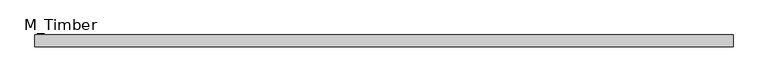
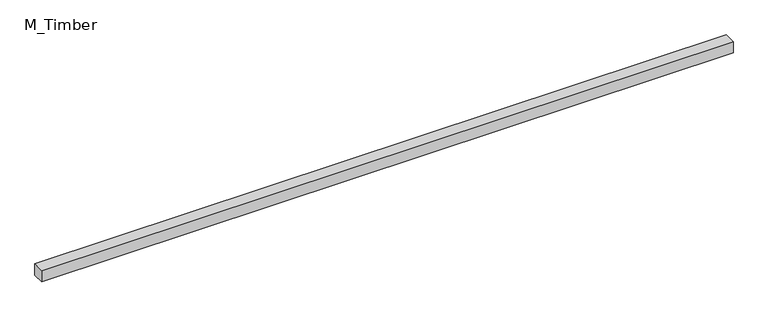
"""IFC4 building model written with IfcOpenShell, lengths in millimetres: beam geometry, M_Timber."""

from ifc_helpers import new_model, si_unit, frame, origin, place, context, project, spatial, polyline, outline, extrude, source, transform, mapped, element, save


def m_timber_763e91a7(model_context):
    return source(origin(), model_context, "Body", "SweptSolid", [
        extrude(outline(polyline([(1162.4583903, 20.0), (1162.4583903, -20.0), (-1162.4583903, -20.0), (-1162.4583903, 20.0), (1162.4583903, 20.0)])), frame((0.0, 0.0, -20.0), z_axis=(0.0, 0.0, 1.0), x_axis=(1.0, 0.0, 0.0)), (0.0, 0.0, 1.0), 40.0),
    ])


if __name__ == "__main__":
    model = new_model("IFC4")
    model_context = context("Model", 3, world=origin())
    ifc_project = project(units=[si_unit("LENGTHUNIT", "METRE", prefix="MILLI")], contexts=[model_context])
    site = spatial("IfcSite", under=ifc_project)
    building = spatial("IfcBuilding", under=site)
    placement = place(None, origin())
    m_timber_shape = m_timber_763e91a7(model_context)
    element("IfcBeam", 1, ObjectType="M_Timber", at=placement, inside=building, context=model_context, shape_type="MappedRepresentation", body=[
        mapped(m_timber_shape, transform((0.0, 0.0, 0.0), x_axis=(1.0, 0.0, 0.0), y_axis=(0.0, 1.0, 0.0), z_axis=(0.0, 0.0, 1.0))),
    ])
    save(model, "model.ifc")
